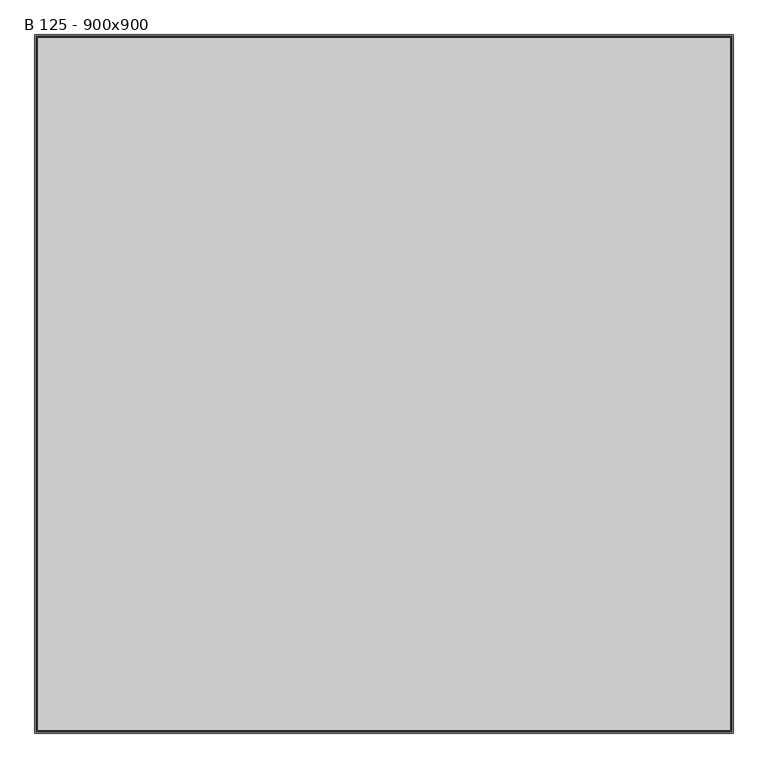
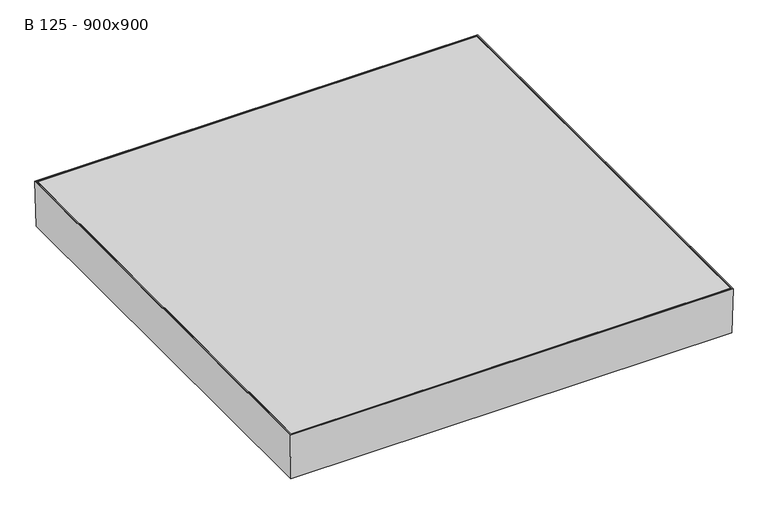
"""IFC4 building model written with IfcOpenShell, lengths in millimetres: proxy geometry, B 125 - 900x900."""

import ifcopenshell
import ifcopenshell.guid

model = None  # the IFC model being written
_history = None  # IfcOwnerHistory: only IFC2X3 demands one
_inside = {}  # id of a spatial element -> (the spatial element, [elements in it])
_under = {}  # id of a project, library or spatial element -> (it, [spatial elements below it])
_declared = {}  # id of a project -> (the project, [libraries it declares])
_typed = {}  # id of a type object -> (the type object, [elements of that type])
_made_of = {}  # id of a material, layer set ... -> (it, [elements and type objects made of it])


def new_model(schema):
    """Start an empty IFC model of exactly this schema.

    Asked for "IFC4X3", IfcOpenShell would pick the latest addendum, in which some entities
    have other attributes; the version numbers below select the first issue.
    IFC2X3 requires an IfcOwnerHistory on every rooted entity: one is made here for all.
    """
    global model, _history
    if schema == "IFC4X3":
        model = ifcopenshell.file(schema_version=(4, 3, 0, 0))
    else:
        model = ifcopenshell.file(schema=schema)
    _inside.clear()
    _under.clear()
    _declared.clear()
    _typed.clear()
    _made_of.clear()
    _history = None
    if model.schema == "IFC2X3":
        org = make("IfcOrganization", Name="unknown")
        user = make(
            "IfcPersonAndOrganization",
            ThePerson=make("IfcPerson", FamilyName="unknown"),
            TheOrganization=org,
        )
        app = make(
            "IfcApplication",
            ApplicationDeveloper=org,
            Version="unknown",
            ApplicationFullName="unknown",
            ApplicationIdentifier="unknown",
        )
        _history = make(
            "IfcOwnerHistory",
            OwningUser=user,
            OwningApplication=app,
            ChangeAction="ADDED",
            CreationDate=0,
        )
    return model


def make(cls, **values):
    """One entity of the class cls with the attributes given. An attribute that is None is left unset."""
    return model.create_entity(
        cls, **{name: value for name, value in values.items() if value is not None}
    )


def rooted(cls, **values):
    """An entity with a GlobalId (a new one), such as an element, a storey or a relation."""
    return make(cls, GlobalId=ifcopenshell.guid.new(), OwnerHistory=_history, **values)


def si_unit(unit_type, name, prefix=None):
    """IfcSIUnit, for example si_unit("LENGTHUNIT", "METRE", prefix="MILLI")."""
    return make("IfcSIUnit", UnitType=unit_type, Prefix=prefix, Name=name)


def assignment(units):
    """IfcUnitAssignment: the units of a project."""
    return None if units is None else make("IfcUnitAssignment", Units=units)


def point(xyz):
    """IfcCartesianPoint."""
    return None if xyz is None else make("IfcCartesianPoint", Coordinates=xyz)


def direction(xyz):
    """IfcDirection."""
    return None if xyz is None else make("IfcDirection", DirectionRatios=xyz)


def frame(location, z_axis=None, x_axis=None):
    """IfcAxis2Placement3D, a coordinate frame: its origin and axes. An axis left out is left unset."""
    return make(
        "IfcAxis2Placement3D",
        Location=point(location),
        Axis=direction(z_axis),
        RefDirection=direction(x_axis),
    )


def origin():
    """The frame at (0, 0, 0) with its axes left unset."""
    return frame((0.0, 0.0, 0.0))


def place(relative_to, where):
    """IfcLocalPlacement: puts the frame where relative to a parent placement (None: the world)."""
    return make(
        "IfcLocalPlacement", PlacementRelTo=relative_to, RelativePlacement=where
    )


def context(
    kind, dimensions, precision=None, world=None, true_north=None, identifier=None
):
    """IfcGeometricRepresentationContext, for example the 3D "Model" context."""
    return make(
        "IfcGeometricRepresentationContext",
        ContextIdentifier=identifier,
        ContextType=kind,
        CoordinateSpaceDimension=dimensions,
        Precision=precision,
        WorldCoordinateSystem=world,
        TrueNorth=true_north,
    )


def project(units=None, contexts=None):
    """IfcProject with its units and contexts."""
    return rooted(
        "IfcProject",
        Name="project",
        RepresentationContexts=contexts,
        UnitsInContext=assignment(units),
    )


def spatial(cls, under=None, at=None, **own):
    """A site, building, storey or space (cls), placed at a placement, below another one or the project."""
    s = rooted(cls, ObjectPlacement=at, **own)
    if under is not None:
        _under.setdefault(under.id(), (under, []))[1].append(s)
    return s


def polyline(points):
    """IfcPolyline through the points."""
    return make("IfcPolyline", Points=[point(p) for p in points])


def outline(outer, holes=None, kind="AREA"):
    """IfcArbitraryClosedProfileDef: a profile drawn as a closed curve; with holes, ...WithVoids."""
    if holes is None:
        return make("IfcArbitraryClosedProfileDef", ProfileType=kind, OuterCurve=outer)
    return make(
        "IfcArbitraryProfileDefWithVoids",
        ProfileType=kind,
        OuterCurve=outer,
        InnerCurves=holes,
    )


def extrude(swept, where, along, depth):
    """IfcExtrudedAreaSolid: the profile swept, set in the frame where, extruded along a direction by depth."""
    return make(
        "IfcExtrudedAreaSolid",
        SweptArea=swept,
        Position=where,
        ExtrudedDirection=direction(along),
        Depth=depth,
    )


def faces_of(points, faces, orient=None, outer=None):
    """IfcFace entities. A face is a list of loops; a loop is a list of indices into points, from 0.

    orient and outer hold one flag for each loop. By default every Orientation is true, the
    first loop of a face is its IfcFaceOuterBound and the others are IfcFaceBound.
    """
    made = []
    for i, loops in enumerate(faces):
        bounds = []
        for j, loop in enumerate(loops):
            is_outer = j == 0 if outer is None else outer[i][j]
            bounds.append(
                make(
                    "IfcFaceOuterBound" if is_outer else "IfcFaceBound",
                    Bound=make("IfcPolyLoop", Polygon=[points[k] for k in loop]),
                    Orientation=True if orient is None else orient[i][j],
                )
            )
        made.append(make("IfcFace", Bounds=bounds))
    return made


def faceted_brep(points, faces, orient=None, outer=None, voids=None):
    """IfcFacetedBrep: a solid bounded by flat faces; with voids (closed shells), ...WithVoids."""
    shared = [point(p) for p in points]
    hull = make("IfcClosedShell", CfsFaces=faces_of(shared, faces, orient, outer))
    if voids is None:
        return make("IfcFacetedBrep", Outer=hull)
    return make(
        "IfcFacetedBrepWithVoids",
        Outer=hull,
        Voids=[
            make(cls, CfsFaces=faces_of(shared, fs, o, b)) for cls, fs, o, b in voids
        ],
    )


def shape(context_of_items, identifier, shape_type, items):
    """IfcShapeRepresentation: the items that make up one representation, for example the "Body"."""
    return make(
        "IfcShapeRepresentation",
        ContextOfItems=context_of_items,
        RepresentationIdentifier=identifier,
        RepresentationType=shape_type,
        Items=items,
    )


def source(mapping_origin, context_of_items, identifier, shape_type, items):
    """IfcRepresentationMap: a shape defined once, which mapped items show again and again."""
    return make(
        "IfcRepresentationMap",
        MappingOrigin=mapping_origin,
        MappedRepresentation=shape(context_of_items, identifier, shape_type, items),
    )


def transform(
    local_origin,
    x_axis=None,
    y_axis=None,
    z_axis=None,
    scale=None,
    scale2=None,
    scale3=None,
    uniform=True,
):
    """IfcCartesianTransformationOperator3D, or its non-uniform kind. x_axis, y_axis, z_axis: its Axis1, 2, 3."""
    if uniform:
        return make(
            "IfcCartesianTransformationOperator3D",
            Axis1=direction(x_axis),
            Axis2=direction(y_axis),
            LocalOrigin=point(local_origin),
            Scale=scale,
            Axis3=direction(z_axis),
        )
    return make(
        "IfcCartesianTransformationOperator3DnonUniform",
        Axis1=direction(x_axis),
        Axis2=direction(y_axis),
        LocalOrigin=point(local_origin),
        Scale=scale,
        Axis3=direction(z_axis),
        Scale2=scale2,
        Scale3=scale3,
    )


def mapped(mapping_source, mapping_target):
    """IfcMappedItem: shows the shape of a source again, moved by a transform."""
    return make(
        "IfcMappedItem", MappingSource=mapping_source, MappingTarget=mapping_target
    )


def made_of(thing, what):
    """Note that an element or type object is made of a material, layer set ...; save() writes the relation."""
    if what is not None:
        _made_of.setdefault(what.id(), (what, []))[1].append(thing)
    return thing


def element(
    cls,
    number,
    at=None,
    inside=None,
    cuts=None,
    type_object=None,
    material=None,
    context=None,
    identifier="Body",
    shape_type=None,
    held_by="IfcProductDefinitionShape",
    body=None,
    shapes=None,
    **own,
):
    """One element of the class cls, such as IfcWall. Its Tag is "e" and its number.

    at: its placement. inside: the storey or other place that contains it. cuts: it is an
    opening in that element (IfcRelVoidsElement). A single representation is given by context,
    identifier, shape_type and body (its items); several are given by shapes. held_by: the class
    of the entity that holds the representations. save() writes the other relations.
    """
    e = rooted(cls, Tag="e%d" % number, ObjectPlacement=at, **own)
    if body is not None:
        shapes = [shape(context, identifier, shape_type, body)]
    if shapes is not None:
        e.Representation = make(held_by, Representations=shapes)
    if inside is not None:
        _inside.setdefault(inside.id(), (inside, []))[1].append(e)
    if cuts is not None:
        rooted(
            "IfcRelVoidsElement", RelatingBuildingElement=cuts, RelatedOpeningElement=e
        )
    if type_object is not None:
        _typed.setdefault(type_object.id(), (type_object, []))[1].append(e)
    return made_of(e, material)


def aggregate(whole, parts):
    """IfcRelAggregates: a whole, such as a stair, and the parts it consists of."""
    return rooted("IfcRelAggregates", RelatingObject=whole, RelatedObjects=parts)


def save(model, path):
    """Write the relations noted so far, then the file.

    IfcRelAggregates (storeys below a building ...), IfcRelContainedInSpatialStructure (elements
    in a storey), IfcRelDefinesByType, IfcRelAssociatesMaterial and IfcRelDeclares: one each for
    every whole, place, type object, material and project.
    """
    for whole, parts in _under.values():
        aggregate(whole, parts)
    for where, things in _inside.values():
        rooted(
            "IfcRelContainedInSpatialStructure",
            RelatedElements=things,
            RelatingStructure=where,
        )
    for kind, things in _typed.values():
        rooted("IfcRelDefinesByType", RelatedObjects=things, RelatingType=kind)
    for what, things in _made_of.values():
        rooted("IfcRelAssociatesMaterial", RelatedObjects=things, RelatingMaterial=what)
    for by, libraries in _declared.values():
        rooted("IfcRelDeclares", RelatingContext=by, RelatedDefinitions=libraries)
    model.write(path)


def b_125_900x900_83342fff(model_context):
    return source(origin(), model_context, "Body", "SolidModel", [
        extrude(outline(polyline([(501.0, 501.0), (501.0, -501.0), (-501.0, -501.0), (-501.0, 501.0), (501.0, 501.0)])), frame((0.0, 0.0, -5.0), z_axis=(0.0, 0.0, 1.0), x_axis=(1.0, 0.0, 0.0)), (0.0, 0.0, 1.0), 5.0),
        faceted_brep([(498.2666483, 498.2666483, -92.9987834), (-498.2666483, 498.2666483, -92.9987834), (-498.2666483, -498.2666483, -92.9987834), (498.2666483, -498.2666483, -92.9987834), (500.2087117, 500.2087117, -95.0), (500.2087117, -500.2087117, -95.0), (-500.2087117, -500.2087117, -95.0), (-500.2087117, 500.2087117, -95.0), (503.0, 503.0, 0.0), (503.0, -503.0, 0.0), (-503.0, -503.0, 0.0), (-503.0, 503.0, 0.0), (500.9991369, -500.9991369, 0.0), (500.9991369, 500.9991369, 0.0), (-500.9991369, -500.9991369, 0.0), (-500.9991369, 500.9991369, 0.0)], [[[0, 1, 2, 3]], [[4, 5, 6, 7]], [[4, 8, 9, 5]], [[5, 9, 10, 6]], [[6, 10, 11, 7]], [[8, 4, 7, 11]], [[0, 3, 12, 13]], [[3, 2, 14, 12]], [[2, 1, 15, 14]], [[1, 0, 13, 15]], [[9, 8, 11, 10], [13, 12, 14, 15]]]),
        faceted_brep([(502.9224838, 502.9224838, -107.0), (505.0, 505.0, 0.0), (505.0, -505.0, 0.0), (502.9224838, -502.9224838, -107.0), (-505.0, -505.0, 0.0), (-502.9224838, -502.9224838, -107.0), (-505.0, 505.0, 0.0), (-502.9224838, 502.9224838, -107.0), (450.0, 450.0, -107.0), (-450.0, 450.0, -107.0), (-450.0, -450.0, -107.0), (450.0, -450.0, -107.0), (500.960939, 500.960939, -105.0), (-500.960939, 500.960939, -105.0), (-500.960939, -500.960939, -105.0), (500.960939, -500.960939, -105.0), (452.0, -452.0, -105.0), (-452.0, -452.0, -105.0), (-452.0, 452.0, -105.0), (452.0, 452.0, -105.0), (502.9996231, -502.9996231, 0.0), (-502.9996231, -502.9996231, 0.0), (-502.9996231, 502.9996231, 0.0), (502.9996231, 502.9996231, 0.0), (450.0, 450.0, -95.0), (450.0, -450.0, -95.0), (452.0, 452.0, -95.0), (452.0, -452.0, -95.0), (-450.0, -450.0, -95.0), (-452.0, -452.0, -95.0), (-450.0, 450.0, -95.0), (-452.0, 452.0, -95.0)], [[[0, 1, 2, 3]], [[3, 2, 4, 5]], [[5, 4, 6, 7]], [[3, 5, 7, 0], [8, 9, 10, 11]], [[12, 13, 14, 15], [16, 17, 18, 19]], [[1, 6, 4, 2], [20, 21, 22, 23]], [[7, 6, 1, 0]], [[24, 8, 11, 25]], [[19, 26, 27, 16]], [[25, 11, 10, 28]], [[16, 27, 29, 17]], [[28, 10, 9, 30]], [[17, 29, 31, 18]], [[30, 9, 8, 24]], [[26, 31, 29, 27], [25, 28, 30, 24]], [[18, 31, 26, 19]], [[23, 12, 15, 20]], [[20, 15, 14, 21]], [[21, 14, 13, 22]], [[22, 13, 12, 23]]]),
    ])


if __name__ == "__main__":
    model = new_model("IFC4")
    model_context = context("Model", 3, world=origin())
    ifc_project = project(units=[si_unit("LENGTHUNIT", "METRE", prefix="MILLI")], contexts=[model_context])
    site = spatial("IfcSite", under=ifc_project)
    building = spatial("IfcBuilding", under=site)
    placement = place(None, origin())
    b_125_900x900_shape = b_125_900x900_83342fff(model_context)
    element("IfcBuildingElementProxy", 1, Name="B 125 - 900x900", ObjectType="B 125 - 900x900", at=placement, inside=building, context=model_context, shape_type="MappedRepresentation", body=[
        mapped(b_125_900x900_shape, transform((0.0, 0.0, 0.0), x_axis=(1.0, 0.0, 0.0), y_axis=(0.0, 1.0, 0.0), z_axis=(0.0, 0.0, 1.0))),
    ])
    save(model, "model.ifc")
